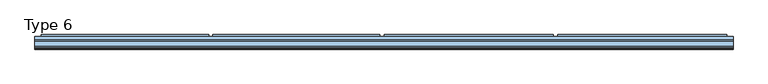
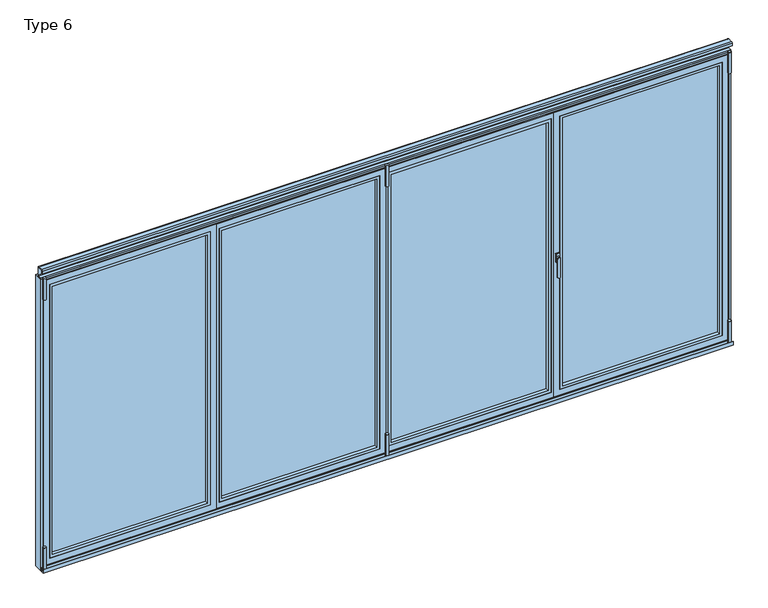
"""IFC4 building model written with IfcOpenShell, lengths in millimetres: window geometry, Type 6."""

import ifcopenshell
import ifcopenshell.guid

model = None  # the IFC model being written
_history = None  # IfcOwnerHistory: only IFC2X3 demands one
_inside = {}  # id of a spatial element -> (the spatial element, [elements in it])
_under = {}  # id of a project, library or spatial element -> (it, [spatial elements below it])
_declared = {}  # id of a project -> (the project, [libraries it declares])
_typed = {}  # id of a type object -> (the type object, [elements of that type])
_made_of = {}  # id of a material, layer set ... -> (it, [elements and type objects made of it])


def new_model(schema):
    """Start an empty IFC model of exactly this schema.

    Asked for "IFC4X3", IfcOpenShell would pick the latest addendum, in which some entities
    have other attributes; the version numbers below select the first issue.
    IFC2X3 requires an IfcOwnerHistory on every rooted entity: one is made here for all.
    """
    global model, _history
    if schema == "IFC4X3":
        model = ifcopenshell.file(schema_version=(4, 3, 0, 0))
    else:
        model = ifcopenshell.file(schema=schema)
    _inside.clear()
    _under.clear()
    _declared.clear()
    _typed.clear()
    _made_of.clear()
    _history = None
    if model.schema == "IFC2X3":
        org = make("IfcOrganization", Name="unknown")
        user = make(
            "IfcPersonAndOrganization",
            ThePerson=make("IfcPerson", FamilyName="unknown"),
            TheOrganization=org,
        )
        app = make(
            "IfcApplication",
            ApplicationDeveloper=org,
            Version="unknown",
            ApplicationFullName="unknown",
            ApplicationIdentifier="unknown",
        )
        _history = make(
            "IfcOwnerHistory",
            OwningUser=user,
            OwningApplication=app,
            ChangeAction="ADDED",
            CreationDate=0,
        )
    return model


def make(cls, **values):
    """One entity of the class cls with the attributes given. An attribute that is None is left unset."""
    return model.create_entity(
        cls, **{name: value for name, value in values.items() if value is not None}
    )


def rooted(cls, **values):
    """An entity with a GlobalId (a new one), such as an element, a storey or a relation."""
    return make(cls, GlobalId=ifcopenshell.guid.new(), OwnerHistory=_history, **values)


def si_unit(unit_type, name, prefix=None):
    """IfcSIUnit, for example si_unit("LENGTHUNIT", "METRE", prefix="MILLI")."""
    return make("IfcSIUnit", UnitType=unit_type, Prefix=prefix, Name=name)


def assignment(units):
    """IfcUnitAssignment: the units of a project."""
    return None if units is None else make("IfcUnitAssignment", Units=units)


def point(xyz):
    """IfcCartesianPoint."""
    return None if xyz is None else make("IfcCartesianPoint", Coordinates=xyz)


def direction(xyz):
    """IfcDirection."""
    return None if xyz is None else make("IfcDirection", DirectionRatios=xyz)


def frame(location, z_axis=None, x_axis=None):
    """IfcAxis2Placement3D, a coordinate frame: its origin and axes. An axis left out is left unset."""
    return make(
        "IfcAxis2Placement3D",
        Location=point(location),
        Axis=direction(z_axis),
        RefDirection=direction(x_axis),
    )


def frame_2d(location, x_axis=None):
    """IfcAxis2Placement2D, a coordinate frame in the plane: its origin and x axis."""
    return make(
        "IfcAxis2Placement2D", Location=point(location), RefDirection=direction(x_axis)
    )


def origin():
    """The frame at (0, 0, 0) with its axes left unset."""
    return frame((0.0, 0.0, 0.0))


def place(relative_to, where):
    """IfcLocalPlacement: puts the frame where relative to a parent placement (None: the world)."""
    return make(
        "IfcLocalPlacement", PlacementRelTo=relative_to, RelativePlacement=where
    )


def context(
    kind, dimensions, precision=None, world=None, true_north=None, identifier=None
):
    """IfcGeometricRepresentationContext, for example the 3D "Model" context."""
    return make(
        "IfcGeometricRepresentationContext",
        ContextIdentifier=identifier,
        ContextType=kind,
        CoordinateSpaceDimension=dimensions,
        Precision=precision,
        WorldCoordinateSystem=world,
        TrueNorth=true_north,
    )


def project(units=None, contexts=None):
    """IfcProject with its units and contexts."""
    return rooted(
        "IfcProject",
        Name="project",
        RepresentationContexts=contexts,
        UnitsInContext=assignment(units),
    )


def spatial(cls, under=None, at=None, **own):
    """A site, building, storey or space (cls), placed at a placement, below another one or the project."""
    s = rooted(cls, ObjectPlacement=at, **own)
    if under is not None:
        _under.setdefault(under.id(), (under, []))[1].append(s)
    return s


def polyline(points):
    """IfcPolyline through the points."""
    return make("IfcPolyline", Points=[point(p) for p in points])


def circle_curve(where, radius):
    """IfcCircle in the frame where."""
    return make("IfcCircle", Position=where, Radius=radius)


def trimmed(basis, trim1, trim2, sense, master):
    """IfcTrimmedCurve: the piece of a basis curve between two trims."""
    return make(
        "IfcTrimmedCurve",
        BasisCurve=basis,
        Trim1=trim1,
        Trim2=trim2,
        SenseAgreement=sense,
        MasterRepresentation=master,
    )


def segment(curve, same_sense, transition):
    """IfcCompositeCurveSegment."""
    return make(
        "IfcCompositeCurveSegment",
        Transition=transition,
        SameSense=same_sense,
        ParentCurve=curve,
    )


def composite_curve(segments, self_intersect=None):
    """IfcCompositeCurve: segments joined end to end."""
    return make("IfcCompositeCurve", Segments=segments, SelfIntersect=self_intersect)


def outline(outer, holes=None, kind="AREA"):
    """IfcArbitraryClosedProfileDef: a profile drawn as a closed curve; with holes, ...WithVoids."""
    if holes is None:
        return make("IfcArbitraryClosedProfileDef", ProfileType=kind, OuterCurve=outer)
    return make(
        "IfcArbitraryProfileDefWithVoids",
        ProfileType=kind,
        OuterCurve=outer,
        InnerCurves=holes,
    )


def extrude(swept, where, along, depth):
    """IfcExtrudedAreaSolid: the profile swept, set in the frame where, extruded along a direction by depth."""
    return make(
        "IfcExtrudedAreaSolid",
        SweptArea=swept,
        Position=where,
        ExtrudedDirection=direction(along),
        Depth=depth,
    )


def faces_of(points, faces, orient=None, outer=None):
    """IfcFace entities. A face is a list of loops; a loop is a list of indices into points, from 0.

    orient and outer hold one flag for each loop. By default every Orientation is true, the
    first loop of a face is its IfcFaceOuterBound and the others are IfcFaceBound.
    """
    made = []
    for i, loops in enumerate(faces):
        bounds = []
        for j, loop in enumerate(loops):
            is_outer = j == 0 if outer is None else outer[i][j]
            bounds.append(
                make(
                    "IfcFaceOuterBound" if is_outer else "IfcFaceBound",
                    Bound=make("IfcPolyLoop", Polygon=[points[k] for k in loop]),
                    Orientation=True if orient is None else orient[i][j],
                )
            )
        made.append(make("IfcFace", Bounds=bounds))
    return made


def faceted_brep(points, faces, orient=None, outer=None, voids=None):
    """IfcFacetedBrep: a solid bounded by flat faces; with voids (closed shells), ...WithVoids."""
    shared = [point(p) for p in points]
    hull = make("IfcClosedShell", CfsFaces=faces_of(shared, faces, orient, outer))
    if voids is None:
        return make("IfcFacetedBrep", Outer=hull)
    return make(
        "IfcFacetedBrepWithVoids",
        Outer=hull,
        Voids=[
            make(cls, CfsFaces=faces_of(shared, fs, o, b)) for cls, fs, o, b in voids
        ],
    )


def shape(context_of_items, identifier, shape_type, items):
    """IfcShapeRepresentation: the items that make up one representation, for example the "Body"."""
    return make(
        "IfcShapeRepresentation",
        ContextOfItems=context_of_items,
        RepresentationIdentifier=identifier,
        RepresentationType=shape_type,
        Items=items,
    )


def source(mapping_origin, context_of_items, identifier, shape_type, items):
    """IfcRepresentationMap: a shape defined once, which mapped items show again and again."""
    return make(
        "IfcRepresentationMap",
        MappingOrigin=mapping_origin,
        MappedRepresentation=shape(context_of_items, identifier, shape_type, items),
    )


def transform(
    local_origin,
    x_axis=None,
    y_axis=None,
    z_axis=None,
    scale=None,
    scale2=None,
    scale3=None,
    uniform=True,
):
    """IfcCartesianTransformationOperator3D, or its non-uniform kind. x_axis, y_axis, z_axis: its Axis1, 2, 3."""
    if uniform:
        return make(
            "IfcCartesianTransformationOperator3D",
            Axis1=direction(x_axis),
            Axis2=direction(y_axis),
            LocalOrigin=point(local_origin),
            Scale=scale,
            Axis3=direction(z_axis),
        )
    return make(
        "IfcCartesianTransformationOperator3DnonUniform",
        Axis1=direction(x_axis),
        Axis2=direction(y_axis),
        LocalOrigin=point(local_origin),
        Scale=scale,
        Axis3=direction(z_axis),
        Scale2=scale2,
        Scale3=scale3,
    )


def mapped(mapping_source, mapping_target):
    """IfcMappedItem: shows the shape of a source again, moved by a transform."""
    return make(
        "IfcMappedItem", MappingSource=mapping_source, MappingTarget=mapping_target
    )


def made_of(thing, what):
    """Note that an element or type object is made of a material, layer set ...; save() writes the relation."""
    if what is not None:
        _made_of.setdefault(what.id(), (what, []))[1].append(thing)
    return thing


def element(
    cls,
    number,
    at=None,
    inside=None,
    cuts=None,
    type_object=None,
    material=None,
    context=None,
    identifier="Body",
    shape_type=None,
    held_by="IfcProductDefinitionShape",
    body=None,
    shapes=None,
    **own,
):
    """One element of the class cls, such as IfcWall. Its Tag is "e" and its number.

    at: its placement. inside: the storey or other place that contains it. cuts: it is an
    opening in that element (IfcRelVoidsElement). A single representation is given by context,
    identifier, shape_type and body (its items); several are given by shapes. held_by: the class
    of the entity that holds the representations. save() writes the other relations.
    """
    e = rooted(cls, Tag="e%d" % number, ObjectPlacement=at, **own)
    if body is not None:
        shapes = [shape(context, identifier, shape_type, body)]
    if shapes is not None:
        e.Representation = make(held_by, Representations=shapes)
    if inside is not None:
        _inside.setdefault(inside.id(), (inside, []))[1].append(e)
    if cuts is not None:
        rooted(
            "IfcRelVoidsElement", RelatingBuildingElement=cuts, RelatedOpeningElement=e
        )
    if type_object is not None:
        _typed.setdefault(type_object.id(), (type_object, []))[1].append(e)
    return made_of(e, material)


def aggregate(whole, parts):
    """IfcRelAggregates: a whole, such as a stair, and the parts it consists of."""
    return rooted("IfcRelAggregates", RelatingObject=whole, RelatedObjects=parts)


def save(model, path):
    """Write the relations noted so far, then the file.

    IfcRelAggregates (storeys below a building ...), IfcRelContainedInSpatialStructure (elements
    in a storey), IfcRelDefinesByType, IfcRelAssociatesMaterial and IfcRelDeclares: one each for
    every whole, place, type object, material and project.
    """
    for whole, parts in _under.values():
        aggregate(whole, parts)
    for where, things in _inside.values():
        rooted(
            "IfcRelContainedInSpatialStructure",
            RelatedElements=things,
            RelatingStructure=where,
        )
    for kind, things in _typed.values():
        rooted("IfcRelDefinesByType", RelatedObjects=things, RelatingType=kind)
    for what, things in _made_of.values():
        rooted("IfcRelAssociatesMaterial", RelatedObjects=things, RelatingMaterial=what)
    for by, libraries in _declared.values():
        rooted("IfcRelDeclares", RelatingContext=by, RelatedDefinitions=libraries)
    model.write(path)


def plane_surface(at):
    """IfcPlane: the flat surface through the origin of the frame at, square to its z axis."""
    return make("IfcPlane", Position=at)


def revolved_surface(curve, axis_point, axis_direction):
    """IfcSurfaceOfRevolution: the curve turned about the line through axis_point along axis_direction."""
    return make(
        "IfcSurfaceOfRevolution",
        SweptCurve=make("IfcArbitraryOpenProfileDef", ProfileType="CURVE", Curve=curve),
        AxisPosition=make("IfcAxis1Placement", Location=point(axis_point), Axis=direction(axis_direction)),
    )


def advanced_brep(points, edges, surfaces, faces):
    """IfcAdvancedBrep: a solid bounded by faces that lie on surfaces and meet in shared edges.

    An edge is (start, end): straight between two places in points (the first is 0);
    or (start, end, curve); or (start, end, curve, False) where it runs against its curve.
    A face is (place in surfaces, loops), or (place, loops, False) where it looks against
    its surface's normal. A loop lists edges by number (the first is 1), with a minus sign
    where the edge is run from its end to its start. The first loop is the outer one.
    """
    corners = [point(p) for p in points]
    vertices = [make("IfcVertexPoint", VertexGeometry=c) for c in corners]
    made = []
    for start, end, *more in edges:
        made.append(
            make(
                "IfcEdgeCurve",
                EdgeStart=vertices[start],
                EdgeEnd=vertices[end],
                EdgeGeometry=more[0] if more else make("IfcPolyline", Points=[corners[start], corners[end]]),
                SameSense=more[1] if len(more) > 1 else True,
            )
        )
    hull = []
    for where, loops, *sense in faces:
        bounds = []
        for j, loop in enumerate(loops):
            ring = [make("IfcOrientedEdge", EdgeElement=made[abs(k) - 1], Orientation=k > 0) for k in loop]
            bounds.append(
                make(
                    "IfcFaceOuterBound" if j == 0 else "IfcFaceBound",
                    Bound=make("IfcEdgeLoop", EdgeList=ring),
                    Orientation=True,
                )
            )
        hull.append(make("IfcAdvancedFace", Bounds=bounds, FaceSurface=surfaces[where], SameSense=sense[0] if sense else True))
    return make("IfcAdvancedBrep", Outer=make("IfcClosedShell", CfsFaces=hull))


def type_6_b6831ef1(model_context):
    return source(origin(), model_context, "Body", "SolidModel", [
        faceted_brep([(-27.5, 80.0, 35.0), (-32.5, 80.0, 35.0), (-1166.25, 80.0, 35.0), (-1196.25, 80.0, 35.0), (-1196.25, 80.0, 2070.0), (-1166.25, 80.0, 2070.0), (-32.5, 80.0, 2070.0), (-27.5, 80.0, 2070.0), (-65.0, 80.0, 72.5), (-65.0, 80.0, 2032.5), (-1133.75, 80.0, 2032.5), (-1133.75, 80.0, 72.5), (-1171.25, 20.0, 10.0), (-2.5, 20.0, 10.0), (-2.5, 20.0, 2095.0), (-1171.25, 20.0, 2095.0), (-1156.25, 20.0, 50.0), (-1156.25, 20.0, 2055.0), (-42.5, 20.0, 2055.0), (-42.5, 20.0, 50.0), (-42.5, 72.75, 2055.0), (-42.5, 72.75, 50.0), (-1156.25, 72.75, 50.0), (-1156.25, 72.75, 2055.0), (-1133.75, 72.75, 72.5), (-1133.75, 72.75, 2032.5), (-65.0, 72.75, 2032.5), (-65.0, 72.75, 72.5), (-27.5, 73.0, 2070.0), (-27.5, 73.0, 35.0), (-32.5, 73.0, 35.0), (-1166.25, 73.0, 35.0), (-1181.25, 73.0, 35.0), (-1196.25, 73.0, 35.0), (-1181.25, 73.0, 25.0), (-32.5, 73.0, 2070.0), (-1166.25, 73.0, 2070.0), (-1181.25, 73.0, 2070.0), (-1181.25, 73.0, 2080.0), (-17.5, 73.0, 2080.0), (-17.5, 73.0, 25.0), (-17.5, 27.0, 2080.0), (-17.5, 27.0, 25.0), (-1171.25, 27.0, 25.0), (-1181.25, 27.0, 25.0), (-1181.25, 27.0, 2080.0), (-1196.25, 73.0, 2070.0), (-1171.25, 27.0, 2080.0), (-2.5, 27.0, 10.0), (-1171.25, 27.0, 10.0), (-1171.25, 27.0, 2095.0), (-2.5, 27.0, 2095.0)], [[[0, 1, 2, 3, 4, 5, 6, 7], [8, 9, 10, 11]], [[12, 13, 14, 15], [16, 17, 18, 19]], [[19, 18, 20, 21]], [[21, 22, 16, 19]], [[22, 23, 17, 16]], [[21, 20, 23, 22], [24, 25, 26, 27]], [[27, 26, 9, 8]], [[8, 11, 24, 27]], [[11, 10, 25, 24]], [[23, 20, 18, 17]], [[10, 9, 26, 25]], [[7, 28, 29, 0]], [[29, 30, 31, 32, 33, 3, 2, 1, 0]], [[34, 32, 31, 30, 29, 28, 35, 36, 37, 38, 39, 40]], [[40, 39, 41, 42]], [[43, 44, 34, 40, 42]], [[44, 45, 38, 37, 32, 34]], [[7, 6, 5, 4, 46, 37, 36, 35, 28]], [[45, 47, 41, 39, 38]], [[48, 13, 12, 49]], [[43, 42, 41, 47, 50, 51, 48, 49]], [[14, 51, 50, 15]], [[33, 46, 4, 3]], [[44, 43, 47, 45]], [[12, 15, 50, 47, 43, 49]], [[14, 13, 48, 51]], [[33, 32, 37, 46]]]),
        extrude(outline(polyline([(-42.5, 72.75), (-42.5, 44.75), (-1156.25, 44.75), (-1156.25, 72.75), (-42.5, 72.75)])), frame((0.0, 0.0, 50.0), z_axis=(0.0, 0.0, 1.0), x_axis=(1.0, 0.0, 0.0)), (0.0, 0.0, 1.0), 2005.0),
        extrude(outline(polyline([(2055.0, -42.5), (2055.0, -1156.25), (50.0, -1156.25), (50.0, -42.5), (2055.0, -42.5)]), holes=[polyline([(2035.0009231, -1136.2509231), (2035.0009231, -62.4990769), (69.9990769, -62.4990769), (69.9990769, -1136.2509231), (2035.0009231, -1136.2509231)])]), frame((0.0, 20.5, 0.0), z_axis=(0.0, 1.0, 0.0), x_axis=(0.0, 0.0, 1.0)), (0.0, 0.0, 1.0), 24.25),
        extrude(outline(composite_curve([segment(trimmed(circle_curve(frame_2d((0.0, 6.5)), 10.0), [point((10.0, 6.5))], [point((-10.0, 6.5))], False, "CARTESIAN"), True, "CONTINUOUS"), segment(trimmed(circle_curve(frame_2d((0.0, 6.5)), 10.0), [point((-10.0, 6.5))], [point((10.0, 6.5))], False, "CARTESIAN"), True, "CONTINUOUS")], self_intersect=False)), frame((0.0, 0.0, -12.0640378), z_axis=(0.0, 0.0, 1.0), x_axis=(1.0, 0.0, 0.0)), (0.0, 0.0, 1.0), 166.5636122),
        extrude(outline(composite_curve([segment(trimmed(circle_curve(frame_2d((0.0, 6.5)), 10.0), [point((-10.0, 6.5))], [point((10.0, 6.5))], False, "CARTESIAN"), True, "CONTINUOUS"), segment(trimmed(circle_curve(frame_2d((0.0, 6.5)), 10.0), [point((10.0, 6.5))], [point((-10.0, 6.5))], False, "CARTESIAN"), True, "CONTINUOUS")], self_intersect=False)), frame((0.0, 0.0, 1972.5), z_axis=(0.0, 0.0, 1.0), x_axis=(1.0, 0.0, 0.0)), (0.0, 0.0, 1.0), 153.5),
        extrude(outline(polyline([(80.0, 52.8188022), (93.0, 45.3132487), (93.0, 32.2), (80.0, 32.2), (80.0, 52.8188022)])), frame((-1171.25, 0.0, 0.0), z_axis=(1.0, 0.0, 0.0), x_axis=(0.0, 1.0, 0.0)), (0.0, 0.0, 1.0), 1143.75),
        faceted_brep([(-22.5, 80.0, 35.0), (-22.5, 80.0, 2070.0), (7.5, 80.0, 2070.0), (1153.75, 80.0, 2070.0), (1183.75, 80.0, 2070.0), (1183.75, 80.0, 35.0), (1153.75, 80.0, 35.0), (7.5, 80.0, 35.0), (40.0, 80.0, 72.5), (1121.25, 80.0, 72.5), (1121.25, 80.0, 2032.5), (40.0, 80.0, 2032.5), (1158.75, 20.0, 10.0), (1158.75, 20.0, 2095.0), (1153.75, 20.0, 2095.0), (7.5, 20.0, 2095.0), (2.5, 20.0, 2095.0), (2.5, 20.0, 10.0), (7.5, 20.0, 10.0), (1153.75, 20.0, 10.0), (1143.75, 20.0, 50.0), (17.5, 20.0, 50.0), (17.5, 20.0, 2055.0), (1143.75, 20.0, 2055.0), (17.5, 72.75, 50.0), (17.5, 72.75, 2055.0), (1143.75, 72.75, 50.0), (1143.75, 72.75, 2055.0), (1121.25, 72.75, 72.5), (40.0, 72.75, 72.5), (40.0, 72.75, 2032.5), (1121.25, 72.75, 2032.5), (-22.5, 73.0, 35.0), (1183.75, 73.0, 35.0), (1168.75, 73.0, 35.0), (1153.75, 73.0, 35.0), (7.5, 73.0, 35.0), (-7.5, 73.0, 35.0), (1168.75, 73.0, 25.0), (-7.5, 73.0, 25.0), (-7.5, 73.0, 2080.0), (1168.75, 73.0, 2080.0), (1168.75, 73.0, 2070.0), (1153.75, 73.0, 2070.0), (7.5, 73.0, 2070.0), (-7.5, 73.0, 2070.0), (-7.5, 27.0, 25.0), (-7.5, 27.0, 2080.0), (1168.75, 27.0, 25.0), (1158.75, 27.0, 25.0), (1153.75, 27.0, 25.0), (7.5, 27.0, 25.0), (2.5, 27.0, 25.0), (1168.75, 27.0, 2080.0), (2.5, 27.0, 2080.0), (1158.75, 27.0, 2080.0), (-22.5, 73.0, 2070.0), (1183.75, 73.0, 2070.0), (7.5, 27.0, 2080.0), (1153.75, 27.0, 2080.0), (1158.75, 27.0, 10.0), (1158.75, 27.0, 2095.0), (2.5, 27.0, 10.0), (2.5, 27.0, 2095.0), (7.5, 27.0, 10.0), (1153.75, 27.0, 10.0), (1153.75, 27.0, 2095.0), (7.5, 27.0, 2095.0)], [[[0, 1, 2, 3, 4, 5, 6, 7], [8, 9, 10, 11]], [[12, 13, 14, 15, 16, 17, 18, 19], [20, 21, 22, 23]], [[21, 24, 25, 22]], [[24, 21, 20, 26]], [[26, 20, 23, 27]], [[24, 26, 27, 25], [28, 29, 30, 31]], [[29, 8, 11, 30]], [[8, 29, 28, 9]], [[9, 28, 31, 10]], [[27, 23, 22, 25]], [[10, 31, 30, 11]], [[32, 0, 7, 6, 5, 33, 34, 35, 36, 37]], [[38, 39, 37, 36, 35, 34]], [[40, 41, 42, 43, 44, 45]], [[39, 46, 47, 40, 45, 37]], [[46, 39, 38, 48, 49, 50, 51, 52]], [[48, 38, 34, 42, 41, 53]], [[47, 46, 52, 54]], [[48, 53, 55, 49]], [[1, 56, 45, 44, 43, 42, 57, 4, 3, 2]], [[53, 41, 40, 47, 54, 58, 59, 55]], [[12, 60, 49, 55, 61, 13]], [[62, 17, 16, 63, 54, 52]], [[17, 62, 64, 65, 60, 12, 19, 18]], [[62, 52, 51, 50, 49, 60, 65, 64]], [[13, 61, 66, 67, 63, 16, 15, 14]], [[61, 55, 59, 58, 54, 63, 67, 66]], [[56, 1, 0, 32]], [[33, 5, 4, 57]], [[33, 57, 42, 34]], [[56, 32, 37, 45]]]),
        extrude(outline(polyline([(17.5, 72.75), (1143.75, 72.75), (1143.75, 44.75), (17.5, 44.75), (17.5, 72.75)])), frame((0.0, 0.0, 50.0), z_axis=(0.0, 0.0, 1.0), x_axis=(1.0, 0.0, 0.0)), (0.0, 0.0, 1.0), 2005.0),
        extrude(outline(polyline([(2055.0, 17.5), (50.0, 17.5), (50.0, 1143.75), (2055.0, 1143.75), (2055.0, 17.5)]), holes=[polyline([(2035.0009231, 1123.7509231), (69.9990769, 1123.7509231), (69.9990769, 37.4990769), (2035.0009231, 37.4990769), (2035.0009231, 1123.7509231)])]), frame((0.0, 20.5, 0.0), z_axis=(0.0, 1.0, 0.0), x_axis=(0.0, 0.0, 1.0)), (0.0, 0.0, 1.0), 24.25),
        extrude(outline(composite_curve([segment(trimmed(circle_curve(frame_2d((0.0, 6.5)), 10.0), [point((-10.0, 6.5))], [point((10.0, 6.5))], False, "CARTESIAN"), True, "CONTINUOUS"), segment(trimmed(circle_curve(frame_2d((0.0, 6.5)), 10.0), [point((10.0, 6.5))], [point((-10.0, 6.5))], False, "CARTESIAN"), True, "CONTINUOUS")], self_intersect=False)), frame((0.0, 0.0, -12.0640378), z_axis=(0.0, 0.0, 1.0), x_axis=(1.0, 0.0, 0.0)), (0.0, 0.0, 1.0), 166.5636122),
        extrude(outline(composite_curve([segment(trimmed(circle_curve(frame_2d((0.0, 6.5)), 10.0), [point((10.0, 6.5))], [point((-10.0, 6.5))], False, "CARTESIAN"), True, "CONTINUOUS"), segment(trimmed(circle_curve(frame_2d((0.0, 6.5)), 10.0), [point((-10.0, 6.5))], [point((10.0, 6.5))], False, "CARTESIAN"), True, "CONTINUOUS")], self_intersect=False)), frame((0.0, 0.0, 1972.5), z_axis=(0.0, 0.0, 1.0), x_axis=(1.0, 0.0, 0.0)), (0.0, 0.0, 1.0), 153.5),
        extrude(outline(polyline([(80.0, 52.8188022), (93.0, 45.3132487), (93.0, 32.2), (80.0, 32.2), (80.0, 52.8188022)])), frame((2.5, 0.0, 0.0), z_axis=(1.0, 0.0, 0.0), x_axis=(0.0, 1.0, 0.0)), (0.0, 0.0, 1.0), 1156.25),
        advanced_brep(
        [(1197.25, 11.0, 1028.0), (1175.25, 11.0, 1028.0), (1176.25, 3.5, 1028.0), (1196.25, 3.5, 1028.0), (1195.25, -4.0, 896.6867153), (1195.25, -4.0, 1028.0), (1177.25, -4.0, 1028.0), (1177.25, -4.0, 896.6867153), (1196.25, 3.5, 896.6867153), (1176.25, 3.5, 896.6867153)],
        [
            (0, 1, circle_curve(frame((1186.25, 11.0, 1028.0), z_axis=(0.0, 1.0, 0.0), x_axis=(-1.0, 0.0, 0.0)), 11.0)),
            (1, 0, circle_curve(frame((1186.25, 11.0, 1028.0), z_axis=(0.0, 1.0, 0.0), x_axis=(1.0, 0.0, 0.0)), 11.0)),
            (1, 2),
            (2, 3, circle_curve(frame((1186.25, 3.5, 1028.0), z_axis=(0.0, 1.0, 0.0), x_axis=(1.0, 0.0, 0.0)), 10.0)),
            (3, 0),
            (3, 2, circle_curve(frame((1186.25, 3.5, 1028.0), z_axis=(0.0, 1.0, 0.0), x_axis=(-1.0, 0.0, 0.0)), 10.0)),
            (4, 5),
            (5, 6, circle_curve(frame((1186.25, -4.0, 1028.0), z_axis=(0.0, -1.0, 0.0), x_axis=(-1.0, 0.0, 0.0)), 9.0)),
            (6, 7),
            (7, 4, circle_curve(frame((1186.25, -4.0, 896.6867153), z_axis=(0.0, -1.0, 0.0), x_axis=(1.0, 0.0, 0.0)), 9.0)),
            (8, 9, circle_curve(frame((1186.25, 3.5, 896.6867153), z_axis=(0.0, 1.0, 0.0), x_axis=(1.0, 0.0, 0.0)), 10.0)),
            (9, 2),
            (3, 8),
            (7, 9),
            (8, 4),
            (6, 2),
            (5, 3),
        ],
        [
            plane_surface(frame((1186.25, 11.0, 1028.0), z_axis=(0.0, 1.0, 0.0), x_axis=(0.0, 0.0, 1.0))),
            revolved_surface(polyline([(1176.25, 3.5, 1028.0), (1175.25, 11.0, 1028.0)]), (1186.25, -71.5, 1028.0), (0.0, 1.0, 0.0)),
            revolved_surface(polyline([(1196.25, 3.5, 1028.0), (1197.25, 11.0, 1028.0)]), (1186.25, -71.5, 1028.0), (0.0, 1.0, 0.0)),
            plane_surface(frame((1186.25, -4.0, 962.3433576), z_axis=(0.0, -1.0, 0.0), x_axis=(0.0, 0.0, -1.0))),
            plane_surface(frame((1186.25, 3.5, 962.3433576), z_axis=(0.0, 1.0, 0.0), x_axis=(0.0, 0.0, -1.0))),
            revolved_surface(polyline([(1177.25, -4.0, 896.6867153), (1176.25, 3.5, 896.6867153)]), (1186.25, -71.5, 896.6867153), (0.0, 1.0, 0.0)),
            plane_surface(frame((1176.25, 3.5, 962.3433576), z_axis=(-0.9912279006826277, -0.1321637200910704, 0.0), x_axis=(0.0, 0.0, 1.0))),
            revolved_surface(polyline([(1195.25, -4.0, 1028.0), (1196.25, 3.5, 1028.0)]), (1186.25, -71.5, 1028.0), (0.0, 1.0, 0.0)),
            plane_surface(frame((1196.25, 3.5, 962.3433576), z_axis=(0.9912279006826291, -0.1321637200910603, 0.0), x_axis=(0.0, 0.0, -1.0))),
        ],
        [
            (0, [[1, 2]]),
            (1, [[3, 4, 5, -2]]),
            (2, [[-5, 6, -3, -1]]),
            (3, [[7, 8, 9, 10]]),
            (4, [[11, 12, -6, 13]]),
            (5, [[14, -11, 15, -10]]),
            (6, [[16, -12, -14, -9]]),
            (7, [[17, -4, -16, -8]]),
            (8, [[-15, -13, -17, -7]]),
        ],
    ),
        extrude(outline(polyline([(1174.25, 11.0), (1174.25, 20.0), (1198.25, 20.0), (1198.25, 11.0), (1174.25, 11.0)])), frame((0.0, 0.0, 998.0), z_axis=(0.0, 0.0, 1.0), x_axis=(1.0, 0.0, 0.0)), (0.0, 0.0, 1.0), 60.0),
        faceted_brep([(2345.0, 80.0, 35.0), (2340.0, 80.0, 35.0), (1193.75, 80.0, 35.0), (1188.75, 80.0, 35.0), (1188.75, 80.0, 2070.0), (1193.75, 80.0, 2070.0), (2340.0, 80.0, 2070.0), (2345.0, 80.0, 2070.0), (2307.5, 80.0, 72.5), (2307.5, 80.0, 2032.5), (1226.25, 80.0, 2032.5), (1226.25, 80.0, 72.5), (1163.75, 20.0, 10.0), (2370.0, 20.0, 10.0), (2370.0, 20.0, 2095.0), (1163.75, 20.0, 2095.0), (1203.75, 20.0, 50.0), (1203.75, 20.0, 2055.0), (2330.0, 20.0, 2055.0), (2330.0, 20.0, 50.0), (2330.0, 72.75, 2055.0), (2330.0, 72.75, 50.0), (1203.75, 72.75, 50.0), (1203.75, 72.75, 2055.0), (1226.25, 72.75, 72.5), (1226.25, 72.75, 2032.5), (2307.5, 72.75, 2032.5), (2307.5, 72.75, 72.5), (2345.0, 73.0, 2070.0), (2345.0, 73.0, 35.0), (1188.75, 73.0, 35.0), (1188.75, 73.0, 2070.0), (2340.0, 73.0, 35.0), (1193.75, 73.0, 35.0), (1178.75, 73.0, 25.0), (1178.75, 73.0, 2080.0), (2355.0, 73.0, 2080.0), (2355.0, 73.0, 25.0), (2340.0, 73.0, 2070.0), (1193.75, 73.0, 2070.0), (2355.0, 27.0, 2080.0), (2355.0, 27.0, 25.0), (1178.75, 27.0, 25.0), (1178.75, 27.0, 2080.0), (2370.0, 27.0, 10.0), (1163.75, 27.0, 10.0), (1163.75, 27.0, 2095.0), (2370.0, 27.0, 2095.0)], [[[0, 1, 2, 3, 4, 5, 6, 7], [8, 9, 10, 11]], [[12, 13, 14, 15], [16, 17, 18, 19]], [[19, 18, 20, 21]], [[21, 22, 16, 19]], [[22, 23, 17, 16]], [[21, 20, 23, 22], [24, 25, 26, 27]], [[27, 26, 9, 8]], [[8, 11, 24, 27]], [[11, 10, 25, 24]], [[23, 20, 18, 17]], [[10, 9, 26, 25]], [[7, 28, 29, 0]], [[3, 30, 31, 4]], [[29, 32, 33, 30, 3, 2, 1, 0]], [[34, 35, 36, 37], [30, 33, 32, 29, 28, 38, 39, 31]], [[37, 36, 40, 41]], [[42, 34, 37, 41]], [[42, 43, 35, 34]], [[31, 39, 38, 28, 7, 6, 5, 4]], [[40, 36, 35, 43]], [[44, 13, 12, 45]], [[46, 47, 44, 45], [40, 43, 42, 41]], [[14, 47, 46, 15]], [[12, 15, 46, 45]], [[14, 13, 44, 47]]]),
        extrude(outline(polyline([(2330.0, 72.75), (2330.0, 44.75), (1203.75, 44.75), (1203.75, 72.75), (2330.0, 72.75)])), frame((0.0, 0.0, 50.0), z_axis=(0.0, 0.0, 1.0), x_axis=(1.0, 0.0, 0.0)), (0.0, 0.0, 1.0), 2005.0),
        extrude(outline(polyline([(2055.0, 2330.0), (2055.0, 1203.75), (50.0, 1203.75), (50.0, 2330.0), (2055.0, 2330.0)]), holes=[polyline([(2035.0009231, 1223.7490769), (2035.0009231, 2310.0009231), (69.9990769, 2310.0009231), (69.9990769, 1223.7490769), (2035.0009231, 1223.7490769)])]), frame((0.0, 20.5, 0.0), z_axis=(0.0, 1.0, 0.0), x_axis=(0.0, 0.0, 1.0)), (0.0, 0.0, 1.0), 24.25),
        extrude(outline(composite_curve([segment(trimmed(circle_curve(frame_2d((2372.5, 6.5)), 10.0), [point((2382.5, 6.5))], [point((2362.5, 6.5))], False, "CARTESIAN"), True, "CONTINUOUS"), segment(trimmed(circle_curve(frame_2d((2372.5, 6.5)), 10.0), [point((2362.5, 6.5))], [point((2382.5, 6.5))], False, "CARTESIAN"), True, "CONTINUOUS")], self_intersect=False)), frame((0.0, 0.0, -12.0640378), z_axis=(0.0, 0.0, 1.0), x_axis=(1.0, 0.0, 0.0)), (0.0, 0.0, 1.0), 166.5636122),
        extrude(outline(composite_curve([segment(trimmed(circle_curve(frame_2d((2372.5, 6.5)), 10.0), [point((2362.5, 6.5))], [point((2382.5, 6.5))], False, "CARTESIAN"), True, "CONTINUOUS"), segment(trimmed(circle_curve(frame_2d((2372.5, 6.5)), 10.0), [point((2382.5, 6.5))], [point((2362.5, 6.5))], False, "CARTESIAN"), True, "CONTINUOUS")], self_intersect=False)), frame((0.0, 0.0, 1972.5), z_axis=(0.0, 0.0, 1.0), x_axis=(1.0, 0.0, 0.0)), (0.0, 0.0, 1.0), 153.5),
        extrude(outline(polyline([(80.0, 52.8188022), (93.0, 45.3132487), (93.0, 32.2), (80.0, 32.2), (80.0, 52.8188022)])), frame((1188.75, 0.0, 0.0), z_axis=(1.0, 0.0, 0.0), x_axis=(0.0, 1.0, 0.0)), (0.0, 0.0, 1.0), 1156.25),
        faceted_brep([(-2345.0, 80.0, 35.0), (-2345.0, 80.0, 2070.0), (-2340.0, 80.0, 2070.0), (-1206.25, 80.0, 2070.0), (-1201.25, 80.0, 2070.0), (-1201.25, 80.0, 35.0), (-1206.25, 80.0, 35.0), (-2340.0, 80.0, 35.0), (-2307.5, 80.0, 72.5), (-1238.75, 80.0, 72.5), (-1238.75, 80.0, 2032.5), (-2307.5, 80.0, 2032.5), (-1176.25, 20.0, 10.0), (-1176.25, 20.0, 2095.0), (-2370.0, 20.0, 2095.0), (-2370.0, 20.0, 10.0), (-1216.25, 20.0, 50.0), (-2330.0, 20.0, 50.0), (-2330.0, 20.0, 2055.0), (-1216.25, 20.0, 2055.0), (-2330.0, 72.75, 50.0), (-2330.0, 72.75, 2055.0), (-1216.25, 72.75, 50.0), (-1216.25, 72.75, 2055.0), (-1238.75, 72.75, 72.5), (-2307.5, 72.75, 72.5), (-2307.5, 72.75, 2032.5), (-1238.75, 72.75, 2032.5), (-2345.0, 73.0, 35.0), (-1201.25, 73.0, 35.0), (-1206.25, 73.0, 35.0), (-2340.0, 73.0, 35.0), (-1191.25, 73.0, 25.0), (-2355.0, 73.0, 25.0), (-2355.0, 73.0, 2080.0), (-1191.25, 73.0, 2080.0), (-1201.25, 73.0, 2070.0), (-1206.25, 73.0, 2070.0), (-2340.0, 73.0, 2070.0), (-2345.0, 73.0, 2070.0), (-2355.0, 27.0, 25.0), (-2355.0, 27.0, 2080.0), (-1191.25, 27.0, 25.0), (-1191.25, 27.0, 2080.0), (-2370.0, 27.0, 10.0), (-1176.25, 27.0, 10.0), (-1176.25, 27.0, 2095.0), (-2370.0, 27.0, 2095.0)], [[[0, 1, 2, 3, 4, 5, 6, 7], [8, 9, 10, 11]], [[12, 13, 14, 15], [16, 17, 18, 19]], [[17, 20, 21, 18]], [[20, 17, 16, 22]], [[22, 16, 19, 23]], [[20, 22, 23, 21], [24, 25, 26, 27]], [[25, 8, 11, 26]], [[8, 25, 24, 9]], [[9, 24, 27, 10]], [[23, 19, 18, 21]], [[10, 27, 26, 11]], [[28, 0, 7, 6, 5, 29, 30, 31]], [[32, 33, 34, 35], [29, 36, 37, 38, 39, 28, 31, 30]], [[33, 40, 41, 34]], [[42, 40, 33, 32]], [[42, 32, 35, 43]], [[36, 4, 3, 2, 1, 39, 38, 37]], [[41, 43, 35, 34]], [[44, 45, 12, 15]], [[46, 45, 44, 47], [41, 40, 42, 43]], [[14, 13, 46, 47]], [[1, 0, 28, 39]], [[5, 4, 36, 29]], [[12, 45, 46, 13]], [[14, 47, 44, 15]]]),
        extrude(outline(polyline([(-2330.0, 72.75), (-1216.25, 72.75), (-1216.25, 44.75), (-2330.0, 44.75), (-2330.0, 72.75)])), frame((0.0, 0.0, 50.0), z_axis=(0.0, 0.0, 1.0), x_axis=(1.0, 0.0, 0.0)), (0.0, 0.0, 1.0), 2005.0),
        extrude(outline(polyline([(2055.0, -2330.0), (50.0, -2330.0), (50.0, -1216.25), (2055.0, -1216.25), (2055.0, -2330.0)]), holes=[polyline([(2035.0009231, -1236.2490769), (69.9990769, -1236.2490769), (69.9990769, -2310.0009231), (2035.0009231, -2310.0009231), (2035.0009231, -1236.2490769)])]), frame((0.0, 20.5, 0.0), z_axis=(0.0, 1.0, 0.0), x_axis=(0.0, 0.0, 1.0)), (0.0, 0.0, 1.0), 24.25),
        extrude(outline(composite_curve([segment(trimmed(circle_curve(frame_2d((-2372.5, 6.5)), 10.0), [point((-2382.5, 6.5))], [point((-2362.5, 6.5))], False, "CARTESIAN"), True, "CONTINUOUS"), segment(trimmed(circle_curve(frame_2d((-2372.5, 6.5)), 10.0), [point((-2362.5, 6.5))], [point((-2382.5, 6.5))], False, "CARTESIAN"), True, "CONTINUOUS")], self_intersect=False)), frame((0.0, 0.0, -12.0640378), z_axis=(0.0, 0.0, 1.0), x_axis=(1.0, 0.0, 0.0)), (0.0, 0.0, 1.0), 166.5636122),
        extrude(outline(composite_curve([segment(trimmed(circle_curve(frame_2d((-2372.5, 6.5)), 10.0), [point((-2362.5, 6.5))], [point((-2382.5, 6.5))], False, "CARTESIAN"), True, "CONTINUOUS"), segment(trimmed(circle_curve(frame_2d((-2372.5, 6.5)), 10.0), [point((-2382.5, 6.5))], [point((-2362.5, 6.5))], False, "CARTESIAN"), True, "CONTINUOUS")], self_intersect=False)), frame((0.0, 0.0, 1972.5), z_axis=(0.0, 0.0, 1.0), x_axis=(1.0, 0.0, 0.0)), (0.0, 0.0, 1.0), 153.5),
        extrude(outline(polyline([(80.0, 52.8188022), (93.0, 45.3132487), (93.0, 32.2), (80.0, 32.2), (80.0, 52.8188022)])), frame((-2345.0, 0.0, 0.0), z_axis=(1.0, 0.0, 0.0), x_axis=(0.0, 1.0, 0.0)), (0.0, 0.0, 1.0), 1143.75),
        extrude(outline(composite_curve([segment(polyline([(5.0, 2165.0), (5.0, 2182.0)]), True, "CONTINUOUS"), segment(trimmed(circle_curve(frame_2d((13.0, 2182.0)), 8.0), [point((5.0, 2182.0))], [point((13.0, 2190.0))], False, "CARTESIAN"), True, "CONTINUOUS"), segment(polyline([(13.0, 2190.0), (47.0, 2190.0)]), True, "CONTINUOUS"), segment(trimmed(circle_curve(frame_2d((47.0, 2182.0)), 8.0), [point((47.0, 2190.0))], [point((55.0, 2182.0))], False, "CARTESIAN"), True, "CONTINUOUS"), segment(polyline([(55.0, 2182.0), (55.0, 2128.0)]), True, "CONTINUOUS"), segment(trimmed(circle_curve(frame_2d((47.0, 2128.0)), 8.0), [point((55.0, 2128.0))], [point((47.0, 2120.0))], False, "CARTESIAN"), True, "CONTINUOUS"), segment(polyline([(47.0, 2120.0), (41.5, 2120.0), (41.5, 2115.0), (20.0, 2115.0), (20.0, 2124.0), (47.0, 2124.0)]), True, "CONTINUOUS"), segment(trimmed(circle_curve(frame_2d((47.0, 2128.0)), 4.0), [point((47.0, 2124.0))], [point((51.0, 2128.0))], True, "CARTESIAN"), True, "CONTINUOUS"), segment(polyline([(51.0, 2128.0), (51.0, 2182.0)]), True, "CONTINUOUS"), segment(trimmed(circle_curve(frame_2d((47.0, 2182.0)), 4.0), [point((51.0, 2182.0))], [point((47.0, 2186.0))], True, "CARTESIAN"), True, "CONTINUOUS"), segment(polyline([(47.0, 2186.0), (13.0, 2186.0)]), True, "CONTINUOUS"), segment(trimmed(circle_curve(frame_2d((13.0, 2182.0)), 4.0), [point((13.0, 2186.0))], [point((9.0, 2182.0))], True, "CARTESIAN"), True, "CONTINUOUS"), segment(polyline([(9.0, 2182.0), (9.0, 2165.0), (5.0, 2165.0)]), True, "CONTINUOUS")], self_intersect=False)), frame((-2390.0, 0.0, 0.0), z_axis=(1.0, 0.0, 0.0), x_axis=(0.0, 1.0, 0.0)), (0.0, 0.0, 1.0), 4780.0),
        extrude(outline(polyline([(17.4781484, 1.0), (20.0, 1.0), (20.0, -22.0), (-6.5218516, -22.0), (-6.5218516, 1.0), (-3.5218516, 1.0), (-3.5218516, -19.0), (17.4781484, -19.0), (17.4781484, 1.0)])), frame((-2390.0, 0.0, 0.0), z_axis=(1.0, 0.0, 0.0), x_axis=(0.0, 1.0, 0.0)), (0.0, 0.0, 1.0), 4780.0),
        faceted_brep([(2390.0, 80.0, -22.0), (2390.0, 20.0, -22.0), (-2390.0, 20.0, -22.0), (-2390.0, 80.0, -22.0), (2390.0, 20.0, 2115.0), (2390.0, 80.0, 2115.0), (-2390.0, 20.0, 2115.0), (2375.0, 20.0, 2100.0), (2375.0, 20.0, 2.0), (-2375.0, 20.0, 2.0), (-2375.0, 20.0, 2100.0), (-2390.0, 80.0, 2115.0), (-2350.0, 80.0, 2075.0), (-2350.0, 80.0, 2.0), (2350.0, 80.0, 2.0), (2350.0, 80.0, 2075.0), (-2350.0, 73.0, 2075.0), (-2350.0, 73.0, 18.5), (-2350.0, 76.5, 8.0), (-2350.0, 76.5, 2.0), (2350.0, 76.5, 2.0), (2350.0, 73.0, 2075.0), (2350.0, 76.5, 8.0), (2350.0, 73.0, 18.5), (2375.0, 27.0, 2100.0), (2375.0, 27.0, 2.0), (-2375.0, 27.0, 2.0), (-2375.0, 27.0, 2100.0), (2365.0, 27.0, 2090.0), (2365.0, 27.0, 14.5), (-2365.0, 27.0, 14.5), (-2365.0, 27.0, 2090.0), (2365.0, 73.0, 2090.0), (2365.0, 73.0, 18.5), (2365.0, 66.9723867, 18.5), (2365.0, 62.150282, 14.5), (-2365.0, 62.150282, 14.5), (-2365.0, 73.0, 2090.0), (-2365.0, 66.9723867, 18.5), (-2365.0, 73.0, 18.5)], [[[0, 1, 2, 3]], [[4, 1, 0, 5]], [[2, 1, 4, 6], [7, 8, 9, 10]], [[2, 6, 11, 3]], [[0, 3, 11, 5], [12, 13, 14, 15]], [[12, 16, 17, 18, 19, 13]], [[14, 13, 19, 20]], [[21, 15, 14, 20, 22, 23]], [[7, 24, 25, 8]], [[9, 8, 25, 26]], [[26, 27, 10, 9]], [[24, 27, 26, 25], [28, 29, 30, 31]], [[28, 32, 33, 34, 35, 29]], [[30, 29, 35, 36]], [[37, 31, 30, 36, 38, 39]], [[32, 37, 39, 17, 16, 21, 23, 33]], [[23, 17, 39, 38, 34, 33]], [[36, 35, 34, 38]], [[18, 22, 20, 19]], [[17, 23, 22, 18]], [[12, 15, 21, 16]], [[5, 11, 6, 4]], [[7, 10, 27, 24]], [[28, 31, 37, 32]]]),
    ])


if __name__ == "__main__":
    model = new_model("IFC4")
    model_context = context("Model", 3, world=origin())
    ifc_project = project(units=[si_unit("LENGTHUNIT", "METRE", prefix="MILLI")], contexts=[model_context])
    site = spatial("IfcSite", under=ifc_project)
    building = spatial("IfcBuilding", under=site)
    placement = place(None, origin())
    type_6_shape = type_6_b6831ef1(model_context)
    element("IfcWindow", 1, ObjectType="Type 6", at=placement, inside=building, context=model_context, shape_type="MappedRepresentation", body=[
        mapped(type_6_shape, transform((0.0, 0.0, 0.0), x_axis=(1.0, 0.0, 0.0), y_axis=(0.0, 1.0, 0.0), z_axis=(0.0, 0.0, 1.0))),
    ])
    save(model, "model.ifc")
